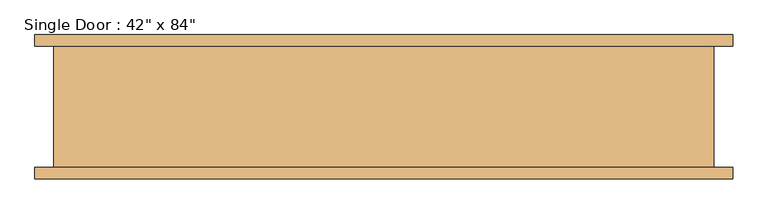
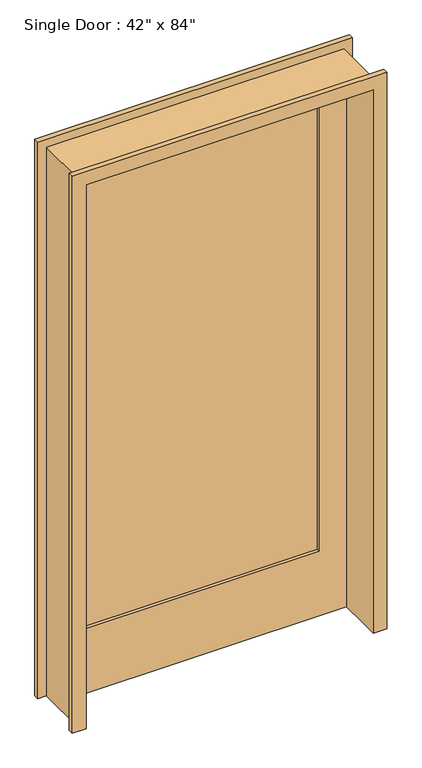
"""IFC4 building model written with IfcOpenShell, lengths in millimetres: door geometry."""

from ifc_helpers import new_model, si_unit, frame, origin, place, context, project, spatial, polyline, outline, extrude, faceted_brep, source, transform, mapped, element, save


def door_ea1e80e9(model_context):
    return source(origin(), model_context, "Body", "SolidModel", [
        faceted_brep([(-584.2, -101.6, 0.0), (-552.45, -101.6, 0.0), (-552.45, 101.6, 0.0), (-584.2, 101.6, 0.0), (-584.2, 120.65, 0.0), (-533.4, 120.65, 0.0), (-533.4, -120.65, 0.0), (-584.2, -120.65, 0.0), (-584.2, -101.6, 2184.4), (584.2, -101.6, 2184.4), (584.2, -101.6, 0.0), (552.45, -101.6, 0.0), (552.45, -101.6, 2152.65), (-552.45, -101.6, 2152.65), (-552.45, 101.6, 2152.65), (552.45, 101.6, 2152.65), (552.45, 101.6, 0.0), (584.2, 101.6, 0.0), (584.2, 101.6, 2184.4), (-584.2, 101.6, 2184.4), (-584.2, 120.65, 2184.4), (584.2, 120.65, 2184.4), (584.2, 120.65, 0.0), (533.4, 120.65, 0.0), (533.4, 120.65, 2133.6), (-533.4, 120.65, 2133.6), (-533.4, -120.65, 2133.6), (533.4, -120.65, 2133.6), (533.4, -120.65, 0.0), (584.2, -120.65, 0.0), (584.2, -120.65, 2184.4), (-584.2, -120.65, 2184.4)], [[[0, 1, 2, 3, 4, 5, 6, 7]], [[1, 0, 8, 9, 10, 11, 12, 13]], [[2, 1, 13, 14]], [[3, 2, 14, 15, 16, 17, 18, 19]], [[4, 3, 19, 20]], [[5, 4, 20, 21, 22, 23, 24, 25]], [[6, 5, 25, 26]], [[7, 6, 26, 27, 28, 29, 30, 31]], [[0, 7, 31, 8]], [[13, 12, 15, 14]], [[19, 18, 21, 20]], [[25, 24, 27, 26]], [[9, 8, 31, 30]], [[11, 10, 29, 28, 23, 22, 17, 16]], [[12, 11, 16, 15]], [[18, 17, 22, 21]], [[24, 23, 28, 27]], [[10, 9, 30, 29]]]),
        extrude(outline(polyline([(431.8, 63.5), (-431.8, 63.5), (-431.8, 76.2), (431.8, 76.2), (431.8, 63.5)])), frame((0.0, 0.0, 254.0), z_axis=(0.0, 0.0, 1.0), x_axis=(1.0, 0.0, 0.0)), (0.0, 0.0, 1.0), 1778.0),
        extrude(outline(polyline([(2133.6, 533.4), (2133.6, -533.4), (0.0, -533.4), (0.0, 533.4), (2133.6, 533.4)]), holes=[polyline([(2032.0, 431.8), (254.0, 431.8), (254.0, -431.8), (2032.0, -431.8), (2032.0, 431.8)])]), frame((0.0, 50.8, 0.0), z_axis=(0.0, 1.0, 0.0), x_axis=(0.0, 0.0, 1.0)), (0.0, 0.0, 1.0), 50.8),
    ])


if __name__ == "__main__":
    model = new_model("IFC4")
    model_context = context("Model", 3, world=origin())
    ifc_project = project(units=[si_unit("LENGTHUNIT", "METRE", prefix="MILLI")], contexts=[model_context])
    site = spatial("IfcSite", under=ifc_project)
    building = spatial("IfcBuilding", under=site)
    placement = place(None, origin())
    door_shape = door_ea1e80e9(model_context)
    element("IfcDoor", 1, ObjectType="Single Door : 42\" x 84\"", at=placement, inside=building, context=model_context, shape_type="MappedRepresentation", body=[
        mapped(door_shape, transform((0.0, 0.0, 0.0), x_axis=(1.0, 0.0, 0.0), y_axis=(0.0, 1.0, 0.0), z_axis=(0.0, 0.0, 1.0))),
    ])
    save(model, "model.ifc")
